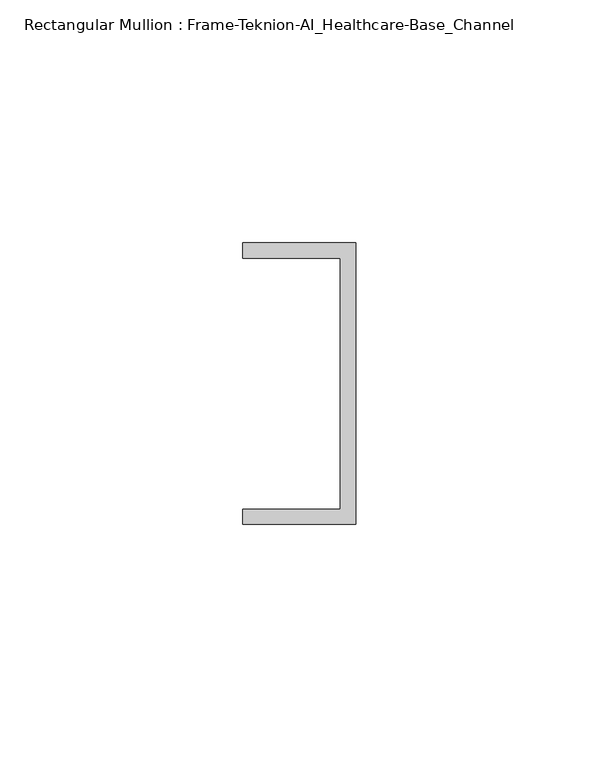
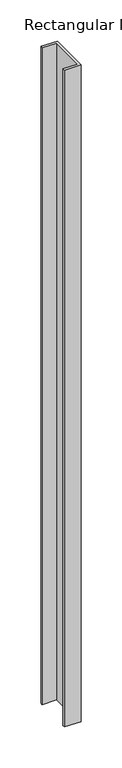
"""IFC4 building model written with IfcOpenShell, lengths in millimetres: member geometry, Rectangular Mullion : Frame-Teknion-AI_Healthcare-Base_Channel."""

from ifc_helpers import new_model, si_unit, frame, origin, place, context, project, spatial, polyline, outline, extrude, source, transform, mapped, element, save


def rectangular_mullion_frame_teknion_ai_healthcare_base_channel_d4052d3e(model_context):
    return source(origin(), model_context, "Body", "SweptSolid", [
        extrude(outline(polyline([(0.0, -29.0214844), (-23.3164063, -29.0214844), (-23.3164063, -25.8464844), (-3.175, -25.8464844), (-3.175, 25.8464844), (-23.3164063, 25.8464844), (-23.3164063, 29.0214844), (0.0, 29.0214844), (0.0, -29.0214844)])), frame((0.0, 0.0, -977.9), z_axis=(0.0, 0.0, 1.0), x_axis=(1.0, 0.0, 0.0)), (0.0, 0.0, 1.0), 977.9),
    ])


if __name__ == "__main__":
    model = new_model("IFC4")
    model_context = context("Model", 3, world=origin())
    ifc_project = project(units=[si_unit("LENGTHUNIT", "METRE", prefix="MILLI")], contexts=[model_context])
    site = spatial("IfcSite", under=ifc_project)
    building = spatial("IfcBuilding", under=site)
    placement = place(None, origin())
    rectangular_mullion_frame_teknion_ai_healthcare_base_channel_shape = rectangular_mullion_frame_teknion_ai_healthcare_base_channel_d4052d3e(model_context)
    element("IfcMember", 1, ObjectType="Rectangular Mullion : Frame-Teknion-AI_Healthcare-Base_Channel", at=placement, inside=building, context=model_context, shape_type="MappedRepresentation", body=[
        mapped(rectangular_mullion_frame_teknion_ai_healthcare_base_channel_shape, transform((0.0, 0.0, 0.0), x_axis=(1.0, 0.0, 0.0), y_axis=(0.0, 1.0, 0.0), z_axis=(0.0, 0.0, 1.0))),
    ])
    save(model, "model.ifc")
